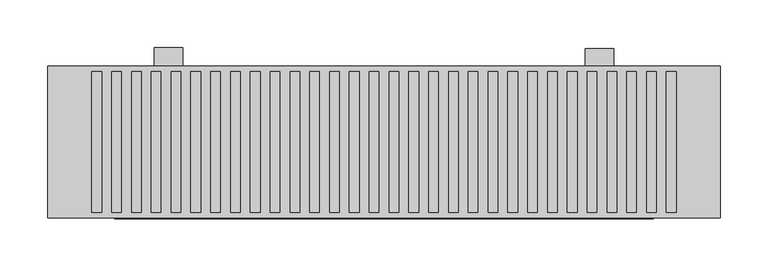
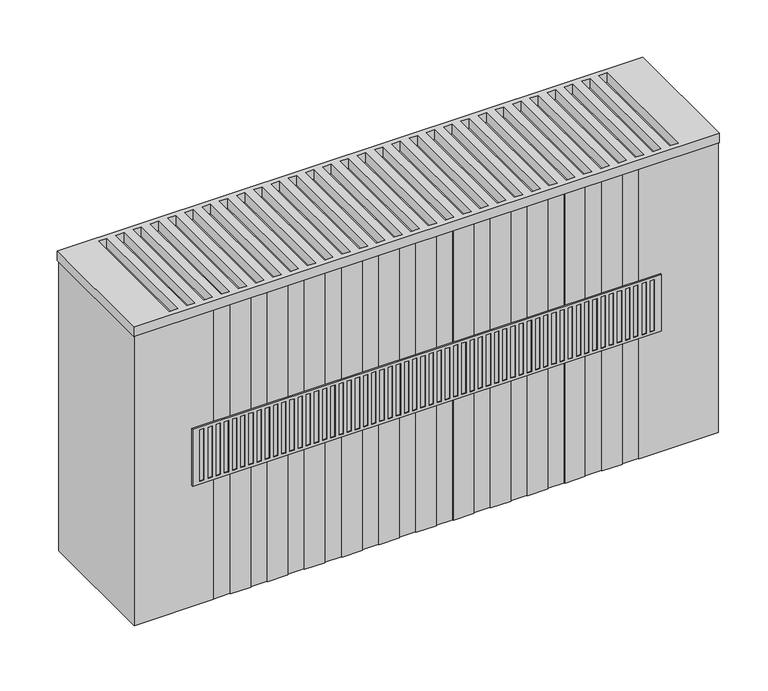
"""IFC4 building model written with IfcOpenShell, lengths in millimetres: proxy geometry."""

import ifcopenshell
import ifcopenshell.guid

model = None  # the IFC model being written
_history = None  # IfcOwnerHistory: only IFC2X3 demands one
_inside = {}  # id of a spatial element -> (the spatial element, [elements in it])
_under = {}  # id of a project, library or spatial element -> (it, [spatial elements below it])
_declared = {}  # id of a project -> (the project, [libraries it declares])
_typed = {}  # id of a type object -> (the type object, [elements of that type])
_made_of = {}  # id of a material, layer set ... -> (it, [elements and type objects made of it])


def new_model(schema):
    """Start an empty IFC model of exactly this schema.

    Asked for "IFC4X3", IfcOpenShell would pick the latest addendum, in which some entities
    have other attributes; the version numbers below select the first issue.
    IFC2X3 requires an IfcOwnerHistory on every rooted entity: one is made here for all.
    """
    global model, _history
    if schema == "IFC4X3":
        model = ifcopenshell.file(schema_version=(4, 3, 0, 0))
    else:
        model = ifcopenshell.file(schema=schema)
    _inside.clear()
    _under.clear()
    _declared.clear()
    _typed.clear()
    _made_of.clear()
    _history = None
    if model.schema == "IFC2X3":
        org = make("IfcOrganization", Name="unknown")
        user = make(
            "IfcPersonAndOrganization",
            ThePerson=make("IfcPerson", FamilyName="unknown"),
            TheOrganization=org,
        )
        app = make(
            "IfcApplication",
            ApplicationDeveloper=org,
            Version="unknown",
            ApplicationFullName="unknown",
            ApplicationIdentifier="unknown",
        )
        _history = make(
            "IfcOwnerHistory",
            OwningUser=user,
            OwningApplication=app,
            ChangeAction="ADDED",
            CreationDate=0,
        )
    return model


def make(cls, **values):
    """One entity of the class cls with the attributes given. An attribute that is None is left unset."""
    return model.create_entity(
        cls, **{name: value for name, value in values.items() if value is not None}
    )


def rooted(cls, **values):
    """An entity with a GlobalId (a new one), such as an element, a storey or a relation."""
    return make(cls, GlobalId=ifcopenshell.guid.new(), OwnerHistory=_history, **values)


def si_unit(unit_type, name, prefix=None):
    """IfcSIUnit, for example si_unit("LENGTHUNIT", "METRE", prefix="MILLI")."""
    return make("IfcSIUnit", UnitType=unit_type, Prefix=prefix, Name=name)


def assignment(units):
    """IfcUnitAssignment: the units of a project."""
    return None if units is None else make("IfcUnitAssignment", Units=units)


def point(xyz):
    """IfcCartesianPoint."""
    return None if xyz is None else make("IfcCartesianPoint", Coordinates=xyz)


def direction(xyz):
    """IfcDirection."""
    return None if xyz is None else make("IfcDirection", DirectionRatios=xyz)


def frame(location, z_axis=None, x_axis=None):
    """IfcAxis2Placement3D, a coordinate frame: its origin and axes. An axis left out is left unset."""
    return make(
        "IfcAxis2Placement3D",
        Location=point(location),
        Axis=direction(z_axis),
        RefDirection=direction(x_axis),
    )


def frame_2d(location, x_axis=None):
    """IfcAxis2Placement2D, a coordinate frame in the plane: its origin and x axis."""
    return make(
        "IfcAxis2Placement2D", Location=point(location), RefDirection=direction(x_axis)
    )


def origin():
    """The frame at (0, 0, 0) with its axes left unset."""
    return frame((0.0, 0.0, 0.0))


def place(relative_to, where):
    """IfcLocalPlacement: puts the frame where relative to a parent placement (None: the world)."""
    return make(
        "IfcLocalPlacement", PlacementRelTo=relative_to, RelativePlacement=where
    )


def context(
    kind, dimensions, precision=None, world=None, true_north=None, identifier=None
):
    """IfcGeometricRepresentationContext, for example the 3D "Model" context."""
    return make(
        "IfcGeometricRepresentationContext",
        ContextIdentifier=identifier,
        ContextType=kind,
        CoordinateSpaceDimension=dimensions,
        Precision=precision,
        WorldCoordinateSystem=world,
        TrueNorth=true_north,
    )


def project(units=None, contexts=None):
    """IfcProject with its units and contexts."""
    return rooted(
        "IfcProject",
        Name="project",
        RepresentationContexts=contexts,
        UnitsInContext=assignment(units),
    )


def spatial(cls, under=None, at=None, **own):
    """A site, building, storey or space (cls), placed at a placement, below another one or the project."""
    s = rooted(cls, ObjectPlacement=at, **own)
    if under is not None:
        _under.setdefault(under.id(), (under, []))[1].append(s)
    return s


def polyline(points):
    """IfcPolyline through the points."""
    return make("IfcPolyline", Points=[point(p) for p in points])


def circle_curve(where, radius):
    """IfcCircle in the frame where."""
    return make("IfcCircle", Position=where, Radius=radius)


def trimmed(basis, trim1, trim2, sense, master):
    """IfcTrimmedCurve: the piece of a basis curve between two trims."""
    return make(
        "IfcTrimmedCurve",
        BasisCurve=basis,
        Trim1=trim1,
        Trim2=trim2,
        SenseAgreement=sense,
        MasterRepresentation=master,
    )


def segment(curve, same_sense, transition):
    """IfcCompositeCurveSegment."""
    return make(
        "IfcCompositeCurveSegment",
        Transition=transition,
        SameSense=same_sense,
        ParentCurve=curve,
    )


def composite_curve(segments, self_intersect=None):
    """IfcCompositeCurve: segments joined end to end."""
    return make("IfcCompositeCurve", Segments=segments, SelfIntersect=self_intersect)


def outline(outer, holes=None, kind="AREA"):
    """IfcArbitraryClosedProfileDef: a profile drawn as a closed curve; with holes, ...WithVoids."""
    if holes is None:
        return make("IfcArbitraryClosedProfileDef", ProfileType=kind, OuterCurve=outer)
    return make(
        "IfcArbitraryProfileDefWithVoids",
        ProfileType=kind,
        OuterCurve=outer,
        InnerCurves=holes,
    )


def extrude(swept, where, along, depth):
    """IfcExtrudedAreaSolid: the profile swept, set in the frame where, extruded along a direction by depth."""
    return make(
        "IfcExtrudedAreaSolid",
        SweptArea=swept,
        Position=where,
        ExtrudedDirection=direction(along),
        Depth=depth,
    )


def faces_of(points, faces, orient=None, outer=None):
    """IfcFace entities. A face is a list of loops; a loop is a list of indices into points, from 0.

    orient and outer hold one flag for each loop. By default every Orientation is true, the
    first loop of a face is its IfcFaceOuterBound and the others are IfcFaceBound.
    """
    made = []
    for i, loops in enumerate(faces):
        bounds = []
        for j, loop in enumerate(loops):
            is_outer = j == 0 if outer is None else outer[i][j]
            bounds.append(
                make(
                    "IfcFaceOuterBound" if is_outer else "IfcFaceBound",
                    Bound=make("IfcPolyLoop", Polygon=[points[k] for k in loop]),
                    Orientation=True if orient is None else orient[i][j],
                )
            )
        made.append(make("IfcFace", Bounds=bounds))
    return made


def faceted_brep(points, faces, orient=None, outer=None, voids=None):
    """IfcFacetedBrep: a solid bounded by flat faces; with voids (closed shells), ...WithVoids."""
    shared = [point(p) for p in points]
    hull = make("IfcClosedShell", CfsFaces=faces_of(shared, faces, orient, outer))
    if voids is None:
        return make("IfcFacetedBrep", Outer=hull)
    return make(
        "IfcFacetedBrepWithVoids",
        Outer=hull,
        Voids=[
            make(cls, CfsFaces=faces_of(shared, fs, o, b)) for cls, fs, o, b in voids
        ],
    )


def shape(context_of_items, identifier, shape_type, items):
    """IfcShapeRepresentation: the items that make up one representation, for example the "Body"."""
    return make(
        "IfcShapeRepresentation",
        ContextOfItems=context_of_items,
        RepresentationIdentifier=identifier,
        RepresentationType=shape_type,
        Items=items,
    )


def source(mapping_origin, context_of_items, identifier, shape_type, items):
    """IfcRepresentationMap: a shape defined once, which mapped items show again and again."""
    return make(
        "IfcRepresentationMap",
        MappingOrigin=mapping_origin,
        MappedRepresentation=shape(context_of_items, identifier, shape_type, items),
    )


def transform(
    local_origin,
    x_axis=None,
    y_axis=None,
    z_axis=None,
    scale=None,
    scale2=None,
    scale3=None,
    uniform=True,
):
    """IfcCartesianTransformationOperator3D, or its non-uniform kind. x_axis, y_axis, z_axis: its Axis1, 2, 3."""
    if uniform:
        return make(
            "IfcCartesianTransformationOperator3D",
            Axis1=direction(x_axis),
            Axis2=direction(y_axis),
            LocalOrigin=point(local_origin),
            Scale=scale,
            Axis3=direction(z_axis),
        )
    return make(
        "IfcCartesianTransformationOperator3DnonUniform",
        Axis1=direction(x_axis),
        Axis2=direction(y_axis),
        LocalOrigin=point(local_origin),
        Scale=scale,
        Axis3=direction(z_axis),
        Scale2=scale2,
        Scale3=scale3,
    )


def mapped(mapping_source, mapping_target):
    """IfcMappedItem: shows the shape of a source again, moved by a transform."""
    return make(
        "IfcMappedItem", MappingSource=mapping_source, MappingTarget=mapping_target
    )


def made_of(thing, what):
    """Note that an element or type object is made of a material, layer set ...; save() writes the relation."""
    if what is not None:
        _made_of.setdefault(what.id(), (what, []))[1].append(thing)
    return thing


def element(
    cls,
    number,
    at=None,
    inside=None,
    cuts=None,
    type_object=None,
    material=None,
    context=None,
    identifier="Body",
    shape_type=None,
    held_by="IfcProductDefinitionShape",
    body=None,
    shapes=None,
    **own,
):
    """One element of the class cls, such as IfcWall. Its Tag is "e" and its number.

    at: its placement. inside: the storey or other place that contains it. cuts: it is an
    opening in that element (IfcRelVoidsElement). A single representation is given by context,
    identifier, shape_type and body (its items); several are given by shapes. held_by: the class
    of the entity that holds the representations. save() writes the other relations.
    """
    e = rooted(cls, Tag="e%d" % number, ObjectPlacement=at, **own)
    if body is not None:
        shapes = [shape(context, identifier, shape_type, body)]
    if shapes is not None:
        e.Representation = make(held_by, Representations=shapes)
    if inside is not None:
        _inside.setdefault(inside.id(), (inside, []))[1].append(e)
    if cuts is not None:
        rooted(
            "IfcRelVoidsElement", RelatingBuildingElement=cuts, RelatedOpeningElement=e
        )
    if type_object is not None:
        _typed.setdefault(type_object.id(), (type_object, []))[1].append(e)
    return made_of(e, material)


def aggregate(whole, parts):
    """IfcRelAggregates: a whole, such as a stair, and the parts it consists of."""
    return rooted("IfcRelAggregates", RelatingObject=whole, RelatedObjects=parts)


def save(model, path):
    """Write the relations noted so far, then the file.

    IfcRelAggregates (storeys below a building ...), IfcRelContainedInSpatialStructure (elements
    in a storey), IfcRelDefinesByType, IfcRelAssociatesMaterial and IfcRelDeclares: one each for
    every whole, place, type object, material and project.
    """
    for whole, parts in _under.values():
        aggregate(whole, parts)
    for where, things in _inside.values():
        rooted(
            "IfcRelContainedInSpatialStructure",
            RelatedElements=things,
            RelatingStructure=where,
        )
    for kind, things in _typed.values():
        rooted("IfcRelDefinesByType", RelatedObjects=things, RelatingType=kind)
    for what, things in _made_of.values():
        rooted("IfcRelAssociatesMaterial", RelatedObjects=things, RelatingMaterial=what)
    for by, libraries in _declared.values():
        rooted("IfcRelDeclares", RelatingContext=by, RelatedDefinitions=libraries)
    model.write(path)


def mechanical_equipment_b54fbf27(model_context):
    return source(origin(), model_context, "Body", "SolidModel", [
        extrude(outline(polyline([(0.0, 380.0), (0.0, 100.0), (0.0, 80.0), (-51.0, 80.0), (-66.0, 100.0), (-20.0, 100.0), (-20.0, 380.0), (0.0, 380.0)])), frame((260.0, 0.0, 0.0), z_axis=(1.0, 0.0, 0.0), x_axis=(0.0, 1.0, 0.0)), (0.0, 0.0, 1.0), 30.0),
        extrude(outline(polyline([(1.0, 380.0), (1.0, 100.0), (1.0, 80.0), (-50.0, 80.0), (-65.0, 100.0), (-19.0, 100.0), (-19.0, 380.0), (1.0, 380.0)])), frame((-190.0, 0.0, 0.0), z_axis=(1.0, 0.0, 0.0), x_axis=(0.0, 1.0, 0.0)), (0.0, 0.0, 1.0), 30.0),
        faceted_brep([(331.0, -178.0, 326.0), (331.0, -178.0, 254.0), (331.0, -176.0, 254.0), (331.0, -176.0, 326.0), (-231.0, -178.0, 254.0), (-231.0, -178.0, 326.0), (-231.0, -176.0, 326.0), (-231.0, -176.0, 254.0), (322.5, -178.0, 257.5), (317.5, -178.0, 257.5), (317.5, -178.0, 322.5), (322.5, -178.0, 322.5), (-207.6818182, -178.0, 257.5), (-212.6818182, -178.0, 257.5), (-212.6818182, -178.0, 322.5), (-207.6818182, -178.0, 322.5), (-197.8636364, -178.0, 257.5), (-202.8636364, -178.0, 257.5), (-202.8636364, -178.0, 322.5), (-197.8636364, -178.0, 322.5), (-188.0454545, -178.0, 257.5), (-193.0454545, -178.0, 257.5), (-193.0454545, -178.0, 322.5), (-188.0454545, -178.0, 322.5), (-178.2272727, -178.0, 257.5), (-183.2272727, -178.0, 257.5), (-183.2272727, -178.0, 322.5), (-178.2272727, -178.0, 322.5), (-168.4090909, -178.0, 257.5), (-173.4090909, -178.0, 257.5), (-173.4090909, -178.0, 322.5), (-168.4090909, -178.0, 322.5), (-158.5909091, -178.0, 257.5), (-163.5909091, -178.0, 257.5), (-163.5909091, -178.0, 322.5), (-158.5909091, -178.0, 322.5), (-148.7727273, -178.0, 257.5), (-153.7727273, -178.0, 257.5), (-153.7727273, -178.0, 322.5), (-148.7727273, -178.0, 322.5), (-138.9545455, -178.0, 257.5), (-143.9545455, -178.0, 257.5), (-143.9545455, -178.0, 322.5), (-138.9545455, -178.0, 322.5), (-129.1363636, -178.0, 257.5), (-134.1363636, -178.0, 257.5), (-134.1363636, -178.0, 322.5), (-129.1363636, -178.0, 322.5), (-119.3181818, -178.0, 257.5), (-124.3181818, -178.0, 257.5), (-124.3181818, -178.0, 322.5), (-119.3181818, -178.0, 322.5), (-109.5, -178.0, 257.5), (-114.5, -178.0, 257.5), (-114.5, -178.0, 322.5), (-109.5, -178.0, 322.5), (-99.6818182, -178.0, 257.5), (-104.6818182, -178.0, 257.5), (-104.6818182, -178.0, 322.5), (-99.6818182, -178.0, 322.5), (-89.8636364, -178.0, 257.5), (-94.8636364, -178.0, 257.5), (-94.8636364, -178.0, 322.5), (-89.8636364, -178.0, 322.5), (-80.0454545, -178.0, 257.5), (-85.0454545, -178.0, 257.5), (-85.0454545, -178.0, 322.5), (-80.0454545, -178.0, 322.5), (-70.2272727, -178.0, 257.5), (-75.2272727, -178.0, 257.5), (-75.2272727, -178.0, 322.5), (-70.2272727, -178.0, 322.5), (-60.4090909, -178.0, 257.5), (-65.4090909, -178.0, 257.5), (-65.4090909, -178.0, 322.5), (-60.4090909, -178.0, 322.5), (-50.5909091, -178.0, 257.5), (-55.5909091, -178.0, 257.5), (-55.5909091, -178.0, 322.5), (-50.5909091, -178.0, 322.5), (-40.7727273, -178.0, 257.5), (-45.7727273, -178.0, 257.5), (-45.7727273, -178.0, 322.5), (-40.7727273, -178.0, 322.5), (-30.9545455, -178.0, 257.5), (-35.9545455, -178.0, 257.5), (-35.9545455, -178.0, 322.5), (-30.9545455, -178.0, 322.5), (-21.1363636, -178.0, 257.5), (-26.1363636, -178.0, 257.5), (-26.1363636, -178.0, 322.5), (-21.1363636, -178.0, 322.5), (-11.3181818, -178.0, 257.5), (-16.3181818, -178.0, 257.5), (-16.3181818, -178.0, 322.5), (-11.3181818, -178.0, 322.5), (-1.5, -178.0, 257.5), (-6.5, -178.0, 257.5), (-6.5, -178.0, 322.5), (-1.5, -178.0, 322.5), (8.3181818, -178.0, 257.5), (3.3181818, -178.0, 257.5), (3.3181818, -178.0, 322.5), (8.3181818, -178.0, 322.5), (18.1363636, -178.0, 257.5), (13.1363636, -178.0, 257.5), (13.1363636, -178.0, 322.5), (18.1363636, -178.0, 322.5), (27.9545455, -178.0, 257.5), (22.9545455, -178.0, 257.5), (22.9545455, -178.0, 322.5), (27.9545455, -178.0, 322.5), (37.7727273, -178.0, 257.5), (32.7727273, -178.0, 257.5), (32.7727273, -178.0, 322.5), (37.7727273, -178.0, 322.5), (47.5909091, -178.0, 257.5), (42.5909091, -178.0, 257.5), (42.5909091, -178.0, 322.5), (47.5909091, -178.0, 322.5), (57.4090909, -178.0, 257.5), (52.4090909, -178.0, 257.5), (52.4090909, -178.0, 322.5), (57.4090909, -178.0, 322.5), (67.2272727, -178.0, 257.5), (62.2272727, -178.0, 257.5), (62.2272727, -178.0, 322.5), (67.2272727, -178.0, 322.5), (77.0454545, -178.0, 257.5), (72.0454545, -178.0, 257.5), (72.0454545, -178.0, 322.5), (77.0454545, -178.0, 322.5), (86.8636364, -178.0, 257.5), (81.8636364, -178.0, 257.5), (81.8636364, -178.0, 322.5), (86.8636364, -178.0, 322.5), (96.6818182, -178.0, 257.5), (91.6818182, -178.0, 257.5), (91.6818182, -178.0, 322.5), (96.6818182, -178.0, 322.5), (106.5, -178.0, 257.5), (101.5, -178.0, 257.5), (101.5, -178.0, 322.5), (106.5, -178.0, 322.5), (116.3181818, -178.0, 257.5), (111.3181818, -178.0, 257.5), (111.3181818, -178.0, 322.5), (116.3181818, -178.0, 322.5), (126.1363636, -178.0, 257.5), (121.1363636, -178.0, 257.5), (121.1363636, -178.0, 322.5), (126.1363636, -178.0, 322.5), (135.9545455, -178.0, 257.5), (130.9545455, -178.0, 257.5), (130.9545455, -178.0, 322.5), (135.9545455, -178.0, 322.5), (145.7727273, -178.0, 257.5), (140.7727273, -178.0, 257.5), (140.7727273, -178.0, 322.5), (145.7727273, -178.0, 322.5), (155.5909091, -178.0, 257.5), (150.5909091, -178.0, 257.5), (150.5909091, -178.0, 322.5), (155.5909091, -178.0, 322.5), (165.4090909, -178.0, 257.5), (160.4090909, -178.0, 257.5), (160.4090909, -178.0, 322.5), (165.4090909, -178.0, 322.5), (175.2272727, -178.0, 257.5), (170.2272727, -178.0, 257.5), (170.2272727, -178.0, 322.5), (175.2272727, -178.0, 322.5), (185.0454545, -178.0, 257.5), (180.0454545, -178.0, 257.5), (180.0454545, -178.0, 322.5), (185.0454545, -178.0, 322.5), (194.8636364, -178.0, 257.5), (189.8636364, -178.0, 257.5), (189.8636364, -178.0, 322.5), (194.8636364, -178.0, 322.5), (204.6818182, -178.0, 257.5), (199.6818182, -178.0, 257.5), (199.6818182, -178.0, 322.5), (204.6818182, -178.0, 322.5), (214.5, -178.0, 257.5), (209.5, -178.0, 257.5), (209.5, -178.0, 322.5), (214.5, -178.0, 322.5), (224.3181818, -178.0, 257.5), (219.3181818, -178.0, 257.5), (219.3181818, -178.0, 322.5), (224.3181818, -178.0, 322.5), (234.1363636, -178.0, 257.5), (229.1363636, -178.0, 257.5), (229.1363636, -178.0, 322.5), (234.1363636, -178.0, 322.5), (243.9545455, -178.0, 257.5), (238.9545455, -178.0, 257.5), (238.9545455, -178.0, 322.5), (243.9545455, -178.0, 322.5), (253.7727273, -178.0, 257.5), (248.7727273, -178.0, 257.5), (248.7727273, -178.0, 322.5), (253.7727273, -178.0, 322.5), (263.5909091, -178.0, 257.5), (258.5909091, -178.0, 257.5), (258.5909091, -178.0, 322.5), (263.5909091, -178.0, 322.5), (273.4090909, -178.0, 257.5), (268.4090909, -178.0, 257.5), (268.4090909, -178.0, 322.5), (273.4090909, -178.0, 322.5), (283.2272727, -178.0, 257.5), (278.2272727, -178.0, 257.5), (278.2272727, -178.0, 322.5), (283.2272727, -178.0, 322.5), (293.0454545, -178.0, 257.5), (288.0454545, -178.0, 257.5), (288.0454545, -178.0, 322.5), (293.0454545, -178.0, 322.5), (302.8636364, -178.0, 257.5), (297.8636364, -178.0, 257.5), (297.8636364, -178.0, 322.5), (302.8636364, -178.0, 322.5), (312.6818182, -178.0, 257.5), (307.6818182, -178.0, 257.5), (307.6818182, -178.0, 322.5), (312.6818182, -178.0, 322.5), (-217.5, -178.0, 257.5), (-222.5, -178.0, 257.5), (-222.5, -178.0, 322.5), (-217.5, -178.0, 322.5), (317.5, -177.0, 257.5), (322.5, -177.0, 257.5), (322.5, -177.0, 322.5), (317.5, -177.0, 322.5), (-212.6818182, -177.0, 257.5), (-207.6818182, -177.0, 257.5), (-207.6818182, -177.0, 322.5), (-212.6818182, -177.0, 322.5), (-202.8636364, -177.0, 257.5), (-197.8636364, -177.0, 257.5), (-197.8636364, -177.0, 322.5), (-202.8636364, -177.0, 322.5), (-193.0454545, -177.0, 257.5), (-188.0454545, -177.0, 257.5), (-188.0454545, -177.0, 322.5), (-193.0454545, -177.0, 322.5), (-183.2272727, -177.0, 257.5), (-178.2272727, -177.0, 257.5), (-178.2272727, -177.0, 322.5), (-183.2272727, -177.0, 322.5), (-173.4090909, -177.0, 257.5), (-168.4090909, -177.0, 257.5), (-168.4090909, -177.0, 322.5), (-173.4090909, -177.0, 322.5), (-163.5909091, -177.0, 257.5), (-158.5909091, -177.0, 257.5), (-158.5909091, -177.0, 322.5), (-163.5909091, -177.0, 322.5), (-153.7727273, -177.0, 257.5), (-148.7727273, -177.0, 257.5), (-148.7727273, -177.0, 322.5), (-153.7727273, -177.0, 322.5), (-143.9545455, -177.0, 257.5), (-138.9545455, -177.0, 257.5), (-138.9545455, -177.0, 322.5), (-143.9545455, -177.0, 322.5), (-134.1363636, -177.0, 257.5), (-129.1363636, -177.0, 257.5), (-129.1363636, -177.0, 322.5), (-134.1363636, -177.0, 322.5), (-124.3181818, -177.0, 257.5), (-119.3181818, -177.0, 257.5), (-119.3181818, -177.0, 322.5), (-124.3181818, -177.0, 322.5), (-114.5, -177.0, 257.5), (-109.5, -177.0, 257.5), (-109.5, -177.0, 322.5), (-114.5, -177.0, 322.5), (-104.6818182, -177.0, 257.5), (-99.6818182, -177.0, 257.5), (-99.6818182, -177.0, 322.5), (-104.6818182, -177.0, 322.5), (-94.8636364, -177.0, 257.5), (-89.8636364, -177.0, 257.5), (-89.8636364, -177.0, 322.5), (-94.8636364, -177.0, 322.5), (-85.0454545, -177.0, 257.5), (-80.0454545, -177.0, 257.5), (-80.0454545, -177.0, 322.5), (-85.0454545, -177.0, 322.5), (-75.2272727, -177.0, 257.5), (-70.2272727, -177.0, 257.5), (-70.2272727, -177.0, 322.5), (-75.2272727, -177.0, 322.5), (-65.4090909, -177.0, 257.5), (-60.4090909, -177.0, 257.5), (-60.4090909, -177.0, 322.5), (-65.4090909, -177.0, 322.5), (-55.5909091, -177.0, 257.5), (-50.5909091, -177.0, 257.5), (-50.5909091, -177.0, 322.5), (-55.5909091, -177.0, 322.5), (-45.7727273, -177.0, 257.5), (-40.7727273, -177.0, 257.5), (-40.7727273, -177.0, 322.5), (-45.7727273, -177.0, 322.5), (-35.9545455, -177.0, 257.5), (-30.9545455, -177.0, 257.5), (-30.9545455, -177.0, 322.5), (-35.9545455, -177.0, 322.5), (-26.1363636, -177.0, 257.5), (-21.1363636, -177.0, 257.5), (-21.1363636, -177.0, 322.5), (-26.1363636, -177.0, 322.5), (-16.3181818, -177.0, 257.5), (-11.3181818, -177.0, 257.5), (-11.3181818, -177.0, 322.5), (-16.3181818, -177.0, 322.5), (-6.5, -177.0, 257.5), (-1.5, -177.0, 257.5), (-1.5, -177.0, 322.5), (-6.5, -177.0, 322.5), (3.3181818, -177.0, 257.5), (8.3181818, -177.0, 257.5), (8.3181818, -177.0, 322.5), (3.3181818, -177.0, 322.5), (13.1363636, -177.0, 257.5), (18.1363636, -177.0, 257.5), (18.1363636, -177.0, 322.5), (13.1363636, -177.0, 322.5), (22.9545455, -177.0, 257.5), (27.9545455, -177.0, 257.5), (27.9545455, -177.0, 322.5), (22.9545455, -177.0, 322.5), (32.7727273, -177.0, 257.5), (37.7727273, -177.0, 257.5), (37.7727273, -177.0, 322.5), (32.7727273, -177.0, 322.5), (42.5909091, -177.0, 257.5), (47.5909091, -177.0, 257.5), (47.5909091, -177.0, 322.5), (42.5909091, -177.0, 322.5), (52.4090909, -177.0, 257.5), (57.4090909, -177.0, 257.5), (57.4090909, -177.0, 322.5), (52.4090909, -177.0, 322.5), (62.2272727, -177.0, 257.5), (67.2272727, -177.0, 257.5), (67.2272727, -177.0, 322.5), (62.2272727, -177.0, 322.5), (72.0454545, -177.0, 257.5), (77.0454545, -177.0, 257.5), (77.0454545, -177.0, 322.5), (72.0454545, -177.0, 322.5), (81.8636364, -177.0, 257.5), (86.8636364, -177.0, 257.5), (86.8636364, -177.0, 322.5), (81.8636364, -177.0, 322.5), (91.6818182, -177.0, 257.5), (96.6818182, -177.0, 257.5), (96.6818182, -177.0, 322.5), (91.6818182, -177.0, 322.5), (101.5, -177.0, 257.5), (106.5, -177.0, 257.5), (106.5, -177.0, 322.5), (101.5, -177.0, 322.5), (111.3181818, -177.0, 257.5), (116.3181818, -177.0, 257.5), (116.3181818, -177.0, 322.5), (111.3181818, -177.0, 322.5), (121.1363636, -177.0, 257.5), (126.1363636, -177.0, 257.5), (126.1363636, -177.0, 322.5), (121.1363636, -177.0, 322.5), (130.9545455, -177.0, 257.5), (135.9545455, -177.0, 257.5), (135.9545455, -177.0, 322.5), (130.9545455, -177.0, 322.5), (140.7727273, -177.0, 257.5), (145.7727273, -177.0, 257.5), (145.7727273, -177.0, 322.5), (140.7727273, -177.0, 322.5), (150.5909091, -177.0, 257.5), (155.5909091, -177.0, 257.5), (155.5909091, -177.0, 322.5), (150.5909091, -177.0, 322.5), (160.4090909, -177.0, 257.5), (165.4090909, -177.0, 257.5), (165.4090909, -177.0, 322.5), (160.4090909, -177.0, 322.5), (170.2272727, -177.0, 257.5), (175.2272727, -177.0, 257.5), (175.2272727, -177.0, 322.5), (170.2272727, -177.0, 322.5), (180.0454545, -177.0, 257.5), (185.0454545, -177.0, 257.5), (185.0454545, -177.0, 322.5), (180.0454545, -177.0, 322.5), (189.8636364, -177.0, 257.5), (194.8636364, -177.0, 257.5), (194.8636364, -177.0, 322.5), (189.8636364, -177.0, 322.5), (199.6818182, -177.0, 257.5), (204.6818182, -177.0, 257.5), (204.6818182, -177.0, 322.5), (199.6818182, -177.0, 322.5), (209.5, -177.0, 257.5), (214.5, -177.0, 257.5), (214.5, -177.0, 322.5), (209.5, -177.0, 322.5), (219.3181818, -177.0, 257.5), (224.3181818, -177.0, 257.5), (224.3181818, -177.0, 322.5), (219.3181818, -177.0, 322.5), (229.1363636, -177.0, 257.5), (234.1363636, -177.0, 257.5), (234.1363636, -177.0, 322.5), (229.1363636, -177.0, 322.5), (238.9545455, -177.0, 257.5), (243.9545455, -177.0, 257.5), (243.9545455, -177.0, 322.5), (238.9545455, -177.0, 322.5), (248.7727273, -177.0, 257.5), (253.7727273, -177.0, 257.5), (253.7727273, -177.0, 322.5), (248.7727273, -177.0, 322.5), (258.5909091, -177.0, 257.5), (263.5909091, -177.0, 257.5), (263.5909091, -177.0, 322.5), (258.5909091, -177.0, 322.5), (268.4090909, -177.0, 257.5), (273.4090909, -177.0, 257.5), (273.4090909, -177.0, 322.5), (268.4090909, -177.0, 322.5), (278.2272727, -177.0, 257.5), (283.2272727, -177.0, 257.5), (283.2272727, -177.0, 322.5), (278.2272727, -177.0, 322.5), (288.0454545, -177.0, 257.5), (293.0454545, -177.0, 257.5), (293.0454545, -177.0, 322.5), (288.0454545, -177.0, 322.5), (297.8636364, -177.0, 257.5), (302.8636364, -177.0, 257.5), (302.8636364, -177.0, 322.5), (297.8636364, -177.0, 322.5), (307.6818182, -177.0, 257.5), (312.6818182, -177.0, 257.5), (312.6818182, -177.0, 322.5), (307.6818182, -177.0, 322.5), (-222.5, -177.0, 257.5), (-217.5, -177.0, 257.5), (-217.5, -177.0, 322.5), (-222.5, -177.0, 322.5)], [[[0, 1, 2, 3]], [[4, 5, 6, 7]], [[1, 0, 5, 4], [8, 9, 10, 11], [12, 13, 14, 15], [16, 17, 18, 19], [20, 21, 22, 23], [24, 25, 26, 27], [28, 29, 30, 31], [32, 33, 34, 35], [36, 37, 38, 39], [40, 41, 42, 43], [44, 45, 46, 47], [48, 49, 50, 51], [52, 53, 54, 55], [56, 57, 58, 59], [60, 61, 62, 63], [64, 65, 66, 67], [68, 69, 70, 71], [72, 73, 74, 75], [76, 77, 78, 79], [80, 81, 82, 83], [84, 85, 86, 87], [88, 89, 90, 91], [92, 93, 94, 95], [96, 97, 98, 99], [100, 101, 102, 103], [104, 105, 106, 107], [108, 109, 110, 111], [112, 113, 114, 115], [116, 117, 118, 119], [120, 121, 122, 123], [124, 125, 126, 127], [128, 129, 130, 131], [132, 133, 134, 135], [136, 137, 138, 139], [140, 141, 142, 143], [144, 145, 146, 147], [148, 149, 150, 151], [152, 153, 154, 155], [156, 157, 158, 159], [160, 161, 162, 163], [164, 165, 166, 167], [168, 169, 170, 171], [172, 173, 174, 175], [176, 177, 178, 179], [180, 181, 182, 183], [184, 185, 186, 187], [188, 189, 190, 191], [192, 193, 194, 195], [196, 197, 198, 199], [200, 201, 202, 203], [204, 205, 206, 207], [208, 209, 210, 211], [212, 213, 214, 215], [216, 217, 218, 219], [220, 221, 222, 223], [224, 225, 226, 227], [228, 229, 230, 231]], [[3, 2, 7, 6]], [[2, 1, 4, 7]], [[0, 3, 6, 5]], [[232, 233, 234, 235]], [[233, 232, 9, 8]], [[234, 233, 8, 11]], [[235, 234, 11, 10]], [[232, 235, 10, 9]], [[236, 237, 238, 239]], [[237, 236, 13, 12]], [[238, 237, 12, 15]], [[239, 238, 15, 14]], [[236, 239, 14, 13]], [[240, 241, 242, 243]], [[241, 240, 17, 16]], [[242, 241, 16, 19]], [[243, 242, 19, 18]], [[240, 243, 18, 17]], [[244, 245, 246, 247]], [[245, 244, 21, 20]], [[246, 245, 20, 23]], [[247, 246, 23, 22]], [[244, 247, 22, 21]], [[248, 249, 250, 251]], [[249, 248, 25, 24]], [[250, 249, 24, 27]], [[251, 250, 27, 26]], [[248, 251, 26, 25]], [[252, 253, 254, 255]], [[253, 252, 29, 28]], [[254, 253, 28, 31]], [[255, 254, 31, 30]], [[252, 255, 30, 29]], [[256, 257, 258, 259]], [[257, 256, 33, 32]], [[258, 257, 32, 35]], [[259, 258, 35, 34]], [[256, 259, 34, 33]], [[260, 261, 262, 263]], [[261, 260, 37, 36]], [[262, 261, 36, 39]], [[263, 262, 39, 38]], [[260, 263, 38, 37]], [[264, 265, 266, 267]], [[265, 264, 41, 40]], [[266, 265, 40, 43]], [[267, 266, 43, 42]], [[264, 267, 42, 41]], [[268, 269, 270, 271]], [[269, 268, 45, 44]], [[270, 269, 44, 47]], [[271, 270, 47, 46]], [[268, 271, 46, 45]], [[272, 273, 274, 275]], [[273, 272, 49, 48]], [[274, 273, 48, 51]], [[275, 274, 51, 50]], [[272, 275, 50, 49]], [[276, 277, 278, 279]], [[277, 276, 53, 52]], [[278, 277, 52, 55]], [[279, 278, 55, 54]], [[276, 279, 54, 53]], [[280, 281, 282, 283]], [[281, 280, 57, 56]], [[282, 281, 56, 59]], [[283, 282, 59, 58]], [[280, 283, 58, 57]], [[284, 285, 286, 287]], [[285, 284, 61, 60]], [[286, 285, 60, 63]], [[287, 286, 63, 62]], [[284, 287, 62, 61]], [[288, 289, 290, 291]], [[289, 288, 65, 64]], [[290, 289, 64, 67]], [[291, 290, 67, 66]], [[288, 291, 66, 65]], [[292, 293, 294, 295]], [[293, 292, 69, 68]], [[294, 293, 68, 71]], [[295, 294, 71, 70]], [[292, 295, 70, 69]], [[296, 297, 298, 299]], [[297, 296, 73, 72]], [[298, 297, 72, 75]], [[299, 298, 75, 74]], [[296, 299, 74, 73]], [[300, 301, 302, 303]], [[301, 300, 77, 76]], [[302, 301, 76, 79]], [[303, 302, 79, 78]], [[300, 303, 78, 77]], [[304, 305, 306, 307]], [[305, 304, 81, 80]], [[306, 305, 80, 83]], [[307, 306, 83, 82]], [[304, 307, 82, 81]], [[308, 309, 310, 311]], [[309, 308, 85, 84]], [[310, 309, 84, 87]], [[311, 310, 87, 86]], [[308, 311, 86, 85]], [[312, 313, 314, 315]], [[313, 312, 89, 88]], [[314, 313, 88, 91]], [[315, 314, 91, 90]], [[312, 315, 90, 89]], [[316, 317, 318, 319]], [[317, 316, 93, 92]], [[318, 317, 92, 95]], [[319, 318, 95, 94]], [[316, 319, 94, 93]], [[320, 321, 322, 323]], [[321, 320, 97, 96]], [[322, 321, 96, 99]], [[323, 322, 99, 98]], [[320, 323, 98, 97]], [[324, 325, 326, 327]], [[325, 324, 101, 100]], [[326, 325, 100, 103]], [[327, 326, 103, 102]], [[324, 327, 102, 101]], [[328, 329, 330, 331]], [[329, 328, 105, 104]], [[330, 329, 104, 107]], [[331, 330, 107, 106]], [[328, 331, 106, 105]], [[332, 333, 334, 335]], [[333, 332, 109, 108]], [[334, 333, 108, 111]], [[335, 334, 111, 110]], [[332, 335, 110, 109]], [[336, 337, 338, 339]], [[337, 336, 113, 112]], [[338, 337, 112, 115]], [[339, 338, 115, 114]], [[336, 339, 114, 113]], [[340, 341, 342, 343]], [[341, 340, 117, 116]], [[342, 341, 116, 119]], [[343, 342, 119, 118]], [[340, 343, 118, 117]], [[344, 345, 346, 347]], [[345, 344, 121, 120]], [[346, 345, 120, 123]], [[347, 346, 123, 122]], [[344, 347, 122, 121]], [[348, 349, 350, 351]], [[349, 348, 125, 124]], [[350, 349, 124, 127]], [[351, 350, 127, 126]], [[348, 351, 126, 125]], [[352, 353, 354, 355]], [[353, 352, 129, 128]], [[354, 353, 128, 131]], [[355, 354, 131, 130]], [[352, 355, 130, 129]], [[356, 357, 358, 359]], [[357, 356, 133, 132]], [[358, 357, 132, 135]], [[359, 358, 135, 134]], [[356, 359, 134, 133]], [[360, 361, 362, 363]], [[361, 360, 137, 136]], [[362, 361, 136, 139]], [[363, 362, 139, 138]], [[360, 363, 138, 137]], [[364, 365, 366, 367]], [[365, 364, 141, 140]], [[366, 365, 140, 143]], [[367, 366, 143, 142]], [[364, 367, 142, 141]], [[368, 369, 370, 371]], [[369, 368, 145, 144]], [[370, 369, 144, 147]], [[371, 370, 147, 146]], [[368, 371, 146, 145]], [[372, 373, 374, 375]], [[373, 372, 149, 148]], [[374, 373, 148, 151]], [[375, 374, 151, 150]], [[372, 375, 150, 149]], [[376, 377, 378, 379]], [[377, 376, 153, 152]], [[378, 377, 152, 155]], [[379, 378, 155, 154]], [[376, 379, 154, 153]], [[380, 381, 382, 383]], [[381, 380, 157, 156]], [[382, 381, 156, 159]], [[383, 382, 159, 158]], [[380, 383, 158, 157]], [[384, 385, 386, 387]], [[385, 384, 161, 160]], [[386, 385, 160, 163]], [[387, 386, 163, 162]], [[384, 387, 162, 161]], [[388, 389, 390, 391]], [[389, 388, 165, 164]], [[390, 389, 164, 167]], [[391, 390, 167, 166]], [[388, 391, 166, 165]], [[392, 393, 394, 395]], [[393, 392, 169, 168]], [[394, 393, 168, 171]], [[395, 394, 171, 170]], [[392, 395, 170, 169]], [[396, 397, 398, 399]], [[397, 396, 173, 172]], [[398, 397, 172, 175]], [[399, 398, 175, 174]], [[396, 399, 174, 173]], [[400, 401, 402, 403]], [[401, 400, 177, 176]], [[402, 401, 176, 179]], [[403, 402, 179, 178]], [[400, 403, 178, 177]], [[404, 405, 406, 407]], [[405, 404, 181, 180]], [[406, 405, 180, 183]], [[407, 406, 183, 182]], [[404, 407, 182, 181]], [[408, 409, 410, 411]], [[409, 408, 185, 184]], [[410, 409, 184, 187]], [[411, 410, 187, 186]], [[408, 411, 186, 185]], [[412, 413, 414, 415]], [[413, 412, 189, 188]], [[414, 413, 188, 191]], [[415, 414, 191, 190]], [[412, 415, 190, 189]], [[416, 417, 418, 419]], [[417, 416, 193, 192]], [[418, 417, 192, 195]], [[419, 418, 195, 194]], [[416, 419, 194, 193]], [[420, 421, 422, 423]], [[421, 420, 197, 196]], [[422, 421, 196, 199]], [[423, 422, 199, 198]], [[420, 423, 198, 197]], [[424, 425, 426, 427]], [[425, 424, 201, 200]], [[426, 425, 200, 203]], [[427, 426, 203, 202]], [[424, 427, 202, 201]], [[428, 429, 430, 431]], [[429, 428, 205, 204]], [[430, 429, 204, 207]], [[431, 430, 207, 206]], [[428, 431, 206, 205]], [[432, 433, 434, 435]], [[433, 432, 209, 208]], [[434, 433, 208, 211]], [[435, 434, 211, 210]], [[432, 435, 210, 209]], [[436, 437, 438, 439]], [[437, 436, 213, 212]], [[438, 437, 212, 215]], [[439, 438, 215, 214]], [[436, 439, 214, 213]], [[440, 441, 442, 443]], [[441, 440, 217, 216]], [[442, 441, 216, 219]], [[443, 442, 219, 218]], [[440, 443, 218, 217]], [[444, 445, 446, 447]], [[445, 444, 221, 220]], [[446, 445, 220, 223]], [[447, 446, 223, 222]], [[444, 447, 222, 221]], [[448, 449, 450, 451]], [[449, 448, 225, 224]], [[450, 449, 224, 227]], [[451, 450, 227, 226]], [[448, 451, 226, 225]], [[452, 453, 454, 455]], [[453, 452, 229, 228]], [[454, 453, 228, 231]], [[455, 454, 231, 230]], [[452, 455, 230, 229]]]),
        extrude(outline(polyline([(401.0, -18.0), (401.0, -177.0), (-301.0, -177.0), (-301.0, -18.0), (401.0, -18.0)]), holes=[polyline([(345.0, -171.0), (355.0, -171.0), (355.0, -24.0), (345.0, -24.0), (345.0, -171.0)]), polyline([(-234.3103448, -171.0), (-224.3103448, -171.0), (-224.3103448, -24.0), (-234.3103448, -24.0), (-234.3103448, -171.0)]), polyline([(-213.6206897, -171.0), (-203.6206897, -171.0), (-203.6206897, -24.0), (-213.6206897, -24.0), (-213.6206897, -171.0)]), polyline([(-192.9310345, -171.0), (-182.9310345, -171.0), (-182.9310345, -24.0), (-192.9310345, -24.0), (-192.9310345, -171.0)]), polyline([(-172.2413793, -171.0), (-162.2413793, -171.0), (-162.2413793, -24.0), (-172.2413793, -24.0), (-172.2413793, -171.0)]), polyline([(-151.5517241, -171.0), (-141.5517241, -171.0), (-141.5517241, -24.0), (-151.5517241, -24.0), (-151.5517241, -171.0)]), polyline([(-130.862069, -171.0), (-120.862069, -171.0), (-120.862069, -24.0), (-130.862069, -24.0), (-130.862069, -171.0)]), polyline([(-110.1724138, -171.0), (-100.1724138, -171.0), (-100.1724138, -24.0), (-110.1724138, -24.0), (-110.1724138, -171.0)]), polyline([(-89.4827586, -171.0), (-79.4827586, -171.0), (-79.4827586, -24.0), (-89.4827586, -24.0), (-89.4827586, -171.0)]), polyline([(-68.7931034, -171.0), (-58.7931034, -171.0), (-58.7931034, -24.0), (-68.7931034, -24.0), (-68.7931034, -171.0)]), polyline([(-48.1034483, -171.0), (-38.1034483, -171.0), (-38.1034483, -24.0), (-48.1034483, -24.0), (-48.1034483, -171.0)]), polyline([(-27.4137931, -171.0), (-17.4137931, -171.0), (-17.4137931, -24.0), (-27.4137931, -24.0), (-27.4137931, -171.0)]), polyline([(-6.7241379, -171.0), (3.2758621, -171.0), (3.2758621, -24.0), (-6.7241379, -24.0), (-6.7241379, -171.0)]), polyline([(13.9655172, -171.0), (23.9655172, -171.0), (23.9655172, -24.0), (13.9655172, -24.0), (13.9655172, -171.0)]), polyline([(34.6551724, -171.0), (44.6551724, -171.0), (44.6551724, -24.0), (34.6551724, -24.0), (34.6551724, -171.0)]), polyline([(55.3448276, -171.0), (65.3448276, -171.0), (65.3448276, -24.0), (55.3448276, -24.0), (55.3448276, -171.0)]), polyline([(76.0344828, -171.0), (86.0344828, -171.0), (86.0344828, -24.0), (76.0344828, -24.0), (76.0344828, -171.0)]), polyline([(96.7241379, -171.0), (106.7241379, -171.0), (106.7241379, -24.0), (96.7241379, -24.0), (96.7241379, -171.0)]), polyline([(117.4137931, -171.0), (127.4137931, -171.0), (127.4137931, -24.0), (117.4137931, -24.0), (117.4137931, -171.0)]), polyline([(138.1034483, -171.0), (148.1034483, -171.0), (148.1034483, -24.0), (138.1034483, -24.0), (138.1034483, -171.0)]), polyline([(158.7931034, -171.0), (168.7931034, -171.0), (168.7931034, -24.0), (158.7931034, -24.0), (158.7931034, -171.0)]), polyline([(179.4827586, -171.0), (189.4827586, -171.0), (189.4827586, -24.0), (179.4827586, -24.0), (179.4827586, -171.0)]), polyline([(200.1724138, -171.0), (210.1724138, -171.0), (210.1724138, -24.0), (200.1724138, -24.0), (200.1724138, -171.0)]), polyline([(220.862069, -171.0), (230.862069, -171.0), (230.862069, -24.0), (220.862069, -24.0), (220.862069, -171.0)]), polyline([(241.5517241, -171.0), (251.5517241, -171.0), (251.5517241, -24.0), (241.5517241, -24.0), (241.5517241, -171.0)]), polyline([(262.2413793, -171.0), (272.2413793, -171.0), (272.2413793, -24.0), (262.2413793, -24.0), (262.2413793, -171.0)]), polyline([(282.9310345, -171.0), (292.9310345, -171.0), (292.9310345, -24.0), (282.9310345, -24.0), (282.9310345, -171.0)]), polyline([(303.6206897, -171.0), (313.6206897, -171.0), (313.6206897, -24.0), (303.6206897, -24.0), (303.6206897, -171.0)]), polyline([(324.3103448, -171.0), (334.3103448, -171.0), (334.3103448, -24.0), (324.3103448, -24.0), (324.3103448, -171.0)]), polyline([(-255.0, -171.0), (-245.0, -171.0), (-245.0, -24.0), (-255.0, -24.0), (-255.0, -171.0)])]), frame((0.0, 0.0, 468.0), z_axis=(0.0, 0.0, 1.0), x_axis=(1.0, 0.0, 0.0)), (0.0, 0.0, 1.0), 12.0),
        extrude(outline(composite_curve([segment(trimmed(circle_curve(frame_2d((386.0, -57.0)), 7.5), [point((393.5, -57.0))], [point((378.5, -57.0))], False, "CARTESIAN"), True, "CONTINUOUS"), segment(trimmed(circle_curve(frame_2d((386.0, -57.0)), 7.5), [point((378.5, -57.0))], [point((393.5, -57.0))], False, "CARTESIAN"), True, "CONTINUOUS")], self_intersect=False)), frame((0.0, 0.0, 82.0), z_axis=(0.0, 0.0, 1.0), x_axis=(1.0, 0.0, 0.0)), (0.0, 0.0, 1.0), 20.0),
        extrude(outline(composite_curve([segment(trimmed(circle_curve(frame_2d((336.0, -57.0)), 7.5), [point((343.5, -57.0))], [point((328.5, -57.0))], False, "CARTESIAN"), True, "CONTINUOUS"), segment(trimmed(circle_curve(frame_2d((336.0, -57.0)), 7.5), [point((328.5, -57.0))], [point((343.5, -57.0))], False, "CARTESIAN"), True, "CONTINUOUS")], self_intersect=False)), frame((0.0, 0.0, 82.0), z_axis=(0.0, 0.0, 1.0), x_axis=(1.0, 0.0, 0.0)), (0.0, 0.0, 1.0), 20.0),
        extrude(outline(polyline([(400.0, -19.0), (400.0, -176.0), (305.0, -176.0), (305.0, -175.0), (285.0, -175.0), (285.0, -176.0), (260.4545455, -176.0), (260.4545455, -175.0), (240.4545455, -175.0), (240.4545455, -176.0), (215.9090909, -176.0), (215.9090909, -175.0), (195.9090909, -175.0), (195.9090909, -176.0), (171.3636364, -176.0), (171.3636364, -175.0), (151.3636364, -175.0), (151.3636364, -176.0), (126.8181818, -176.0), (126.8181818, -175.0), (106.8181818, -175.0), (106.8181818, -176.0), (82.2727273, -176.0), (82.2727273, -175.0), (62.2727273, -175.0), (62.2727273, -176.0), (37.7272727, -176.0), (37.7272727, -175.0), (17.7272727, -175.0), (17.7272727, -176.0), (-6.8181818, -176.0), (-6.8181818, -175.0), (-26.8181818, -175.0), (-26.8181818, -176.0), (-51.3636364, -176.0), (-51.3636364, -175.0), (-71.3636364, -175.0), (-71.3636364, -176.0), (-95.9090909, -176.0), (-95.9090909, -175.0), (-115.9090909, -175.0), (-115.9090909, -176.0), (-140.4545455, -176.0), (-140.4545455, -175.0), (-160.4545455, -175.0), (-160.4545455, -176.0), (-185.0, -176.0), (-185.0, -175.0), (-205.0, -175.0), (-205.0, -176.0), (-300.0, -176.0), (-300.0, -19.0), (400.0, -19.0)])), frame((0.0, 0.0, 100.0), z_axis=(0.0, 0.0, 1.0), x_axis=(1.0, 0.0, 0.0)), (0.0, 0.0, 1.0), 368.0),
    ])


if __name__ == "__main__":
    model = new_model("IFC4")
    model_context = context("Model", 3, world=origin())
    ifc_project = project(units=[si_unit("LENGTHUNIT", "METRE", prefix="MILLI")], contexts=[model_context])
    site = spatial("IfcSite", under=ifc_project)
    building = spatial("IfcBuilding", under=site)
    placement = place(None, origin())
    mechanical_equipment_shape = mechanical_equipment_b54fbf27(model_context)
    element("IfcBuildingElementProxy", 1, Name="Mechanical Equipment", at=placement, inside=building, context=model_context, shape_type="MappedRepresentation", body=[
        mapped(mechanical_equipment_shape, transform((0.0, 0.0, 0.0), x_axis=(1.0, 0.0, 0.0), y_axis=(0.0, 1.0, 0.0), z_axis=(0.0, 0.0, 1.0))),
    ])
    save(model, "model.ifc")
